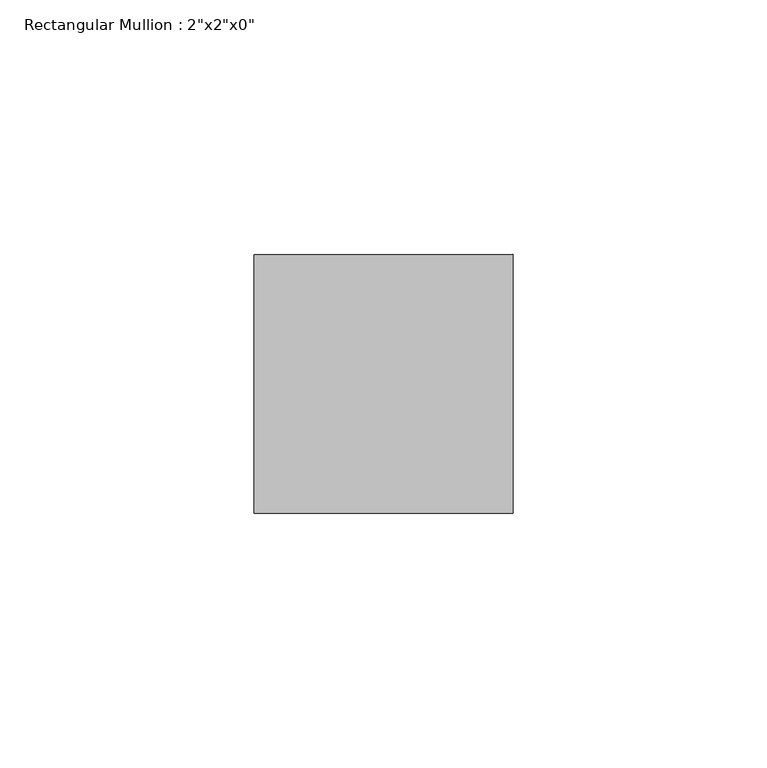
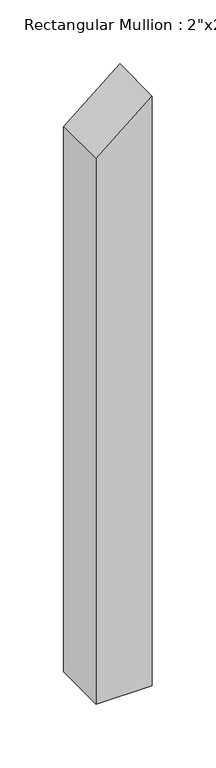
"""IFC4 building model written with IfcOpenShell, lengths in millimetres: member geometry."""

from ifc_helpers import new_model, si_unit, frame, origin, place, context, project, spatial, polyline, outline, extrude, source, transform, mapped, element, save


def member_2e2f8d1d(model_context):
    return source(origin(), model_context, "Body", "SweptSolid", [
        extrude(outline(polyline([(-33.0425367, 0.0), (-75.3106916, -50.8), (-596.5247799, -50.8), (-596.5247799, 0.0), (-33.0425367, 0.0)])), frame((0.0, -25.4, 0.0), z_axis=(0.0, 1.0, 0.0), x_axis=(0.0, 0.0, 1.0)), (0.0, 0.0, 1.0), 50.8),
    ])


if __name__ == "__main__":
    model = new_model("IFC4")
    model_context = context("Model", 3, world=origin())
    ifc_project = project(units=[si_unit("LENGTHUNIT", "METRE", prefix="MILLI")], contexts=[model_context])
    site = spatial("IfcSite", under=ifc_project)
    building = spatial("IfcBuilding", under=site)
    placement = place(None, origin())
    member_shape = member_2e2f8d1d(model_context)
    element("IfcMember", 1, ObjectType="Rectangular Mullion : 2\"x2\"x0\"", at=placement, inside=building, context=model_context, shape_type="MappedRepresentation", body=[
        mapped(member_shape, transform((0.0, 0.0, 0.0), x_axis=(1.0, 0.0, 0.0), y_axis=(0.0, 1.0, 0.0), z_axis=(0.0, 0.0, 1.0))),
    ])
    save(model, "model.ifc")
